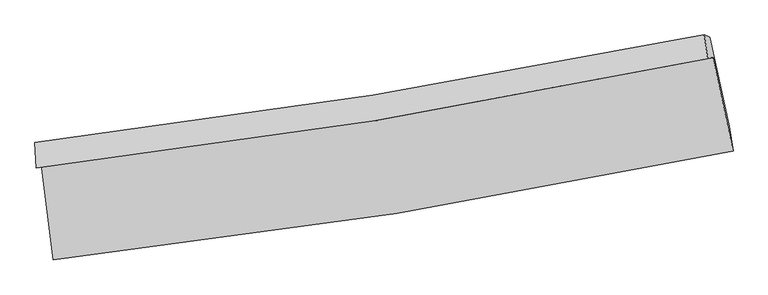
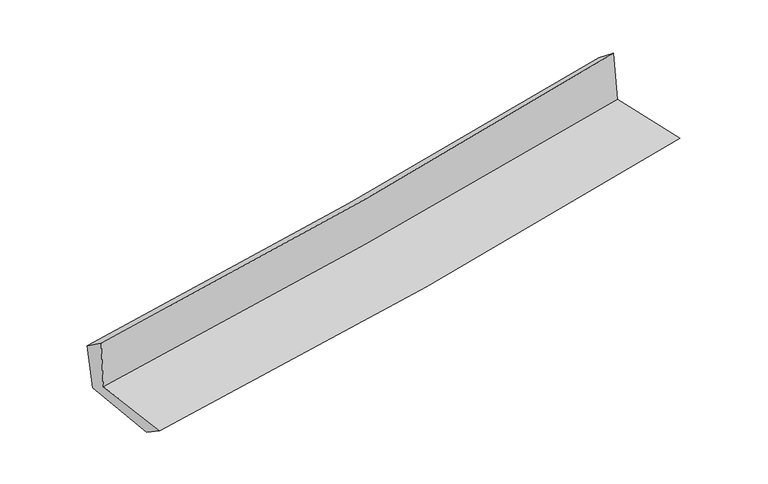
"""IFC4 building model written with IfcOpenShell, lengths in millimetres: proxy geometry."""

from ifc_helpers import new_model, si_unit, frame, origin, place, context, project, spatial, source, transform, mapped, element, save
from ifc_brep_helpers import plane_surface, spline_curve, spline_surface, advanced_brep


def generic_models_debb5fc8(model_context):
    return source(origin(), model_context, "Body", "AdvancedBrep", [
        advanced_brep(
        [(-2354.7993424, -1860.6891941, 1672.5185544), (-2272.5620097, -2522.9680442, 1665.8022189), (2429.1480725, -1769.1118587, 2095.9952796), (2290.994055, -1122.4007475, 2090.1874243), (-2387.3522219, -1886.4527784, 2075.2617014), (2253.544579, -1127.8129968, 2505.5428291), (-2398.3246166, -1710.2177994, 1954.0546945), (2230.226355, -963.6273958, 2377.6010892), (-2363.8110618, -1725.1914376, 1585.8174655), (2268.5801758, -978.5317786, 1999.3893928), (-2283.5209149, -2350.7157084, 1549.9773007), (2403.5943123, -1594.7077884, 1968.5277331)],
        [
            (0, 1),
            (1, 2, spline_curve(3, [(-2272.5620097, -2522.9680442, 1665.8022189), (-1478.121277339, -2434.379260866, 1740.65492099), (-686.389927978, -2326.695656983, 1814.170390187), (880.772550951, -2074.887217774, 1957.53144763), (1656.277895587, -1931.285426306, 2027.413665414), (2429.1480725, -1769.1118587, 2095.9952796)], [4, 2, 4], [0.0, 7.851618647954809, 15.594955108761647])),
            (2, 3),
            (3, 0, spline_curve(3, [(2290.994055, -1122.4007475, 2090.1874243), (1526.504009761, -1277.847045318, 2030.888580971), (759.813063646, -1416.782487936, 1966.709215232), (-788.722750478, -1663.343638537, 1827.623710708), (-1570.629603688, -1770.504344719, 1752.580119755), (-2354.7993424, -1860.6891941, 1672.5185544)], [4, 2, 4], [0.0, 7.743336460806838, 15.594955108761647])),
            (4, 0),
            (3, 5),
            (5, 4, spline_curve(3, [(2253.544579, -1127.8129968, 2505.5428291), (1491.023407964, -1288.706314658, 2438.754704248), (725.72613731, -1432.056652955, 2369.768220399), (-821.161278435, -1685.430649711, 2226.403091146), (-1602.829608168, -1794.960238868, 2151.962532434), (-2387.3522219, -1886.4527784, 2075.2617014)], [4, 2, 4], [0.0, 7.695152968513364, 15.497914330138192])),
            (6, 4),
            (5, 7),
            (7, 6, spline_curve(3, [(2230.226355, -963.6273958, 2377.6010892), (1469.296617474, -1119.060098724, 2310.442669189), (705.81517027, -1258.670952518, 2241.823212952), (-836.963288618, -1507.980017253, 2100.682229351), (-1616.332165509, -1617.23263139, 2028.119553794), (-2398.3246166, -1710.2177994, 1954.0546945)], [4, 2, 4], [0.0, 7.6827078666707305, 15.472850095161165])),
            (8, 6),
            (7, 9),
            (9, 8, spline_curve(3, [(2268.5801758, -978.5317786, 1999.3893928), (1506.645847595, -1133.866621268, 1937.288425695), (742.343023823, -1273.433896373, 1872.034956853), (-801.720683982, -1522.764517674, 1734.266433025), (-1581.548272614, -1632.08379522, 1661.662592541), (-2363.8110618, -1725.1914376, 1585.8174655)], [4, 2, 4], [0.0, 7.672917165207837, 15.453131779862593])),
            (10, 8),
            (9, 11),
            (11, 10, spline_curve(3, [(2403.5943123, -1594.7077884, 1968.5277331), (1633.845937005, -1761.91035949, 1905.0138397), (861.1117377, -1908.220941333, 1838.639868576), (-701.175913594, -2160.811970467, 1699.203607316), (-1490.813457082, -2266.504028642, 1626.060767525), (-2283.5209149, -2350.7157084, 1549.9773007)], [4, 2, 4], [0.0, 7.721384534361149, 15.55074428191664])),
            (1, 10),
            (11, 2),
        ],
        [
            spline_surface(3, 3, [[(-2354.7993424, -1860.6891941, 1672.5185544), (-1570.629603719, -1770.504344669, 1752.580119834), (-788.722750572, -1663.343638465, 1827.623710682), (759.813063738, -1416.782488007, 1966.709215257), (1526.504009733, -1277.847045311, 2030.888581065), (2290.994055, -1122.4007475, 2090.1874243)], [(-2327.386898175, -2081.448810819, 1670.279775904), (-1539.793494902, -1991.795983425, 1748.605053557), (-754.6118097, -1884.460977994, 1823.139270501), (800.132892782, -1636.150731249, 1963.649959378), (1569.761971706, -1495.659839001, 2029.730275844), (2337.045394175, -1337.971117883, 2092.123376066)], [(-2299.974453925, -2302.208427481, 1668.040997396), (-1508.95738606, -2213.087622122, 1744.629987269), (-720.500868799, -2105.578317509, 1818.654830348), (840.452721856, -1855.518974478, 1960.590703528), (1613.019933652, -1713.472632742, 2028.571970626), (2383.096733325, -1553.541488317, 2094.059327834)], [(-2272.5620097, -2522.9680442, 1665.8022189), (-1478.121277243, -2434.379260878, 1740.654920993), (-686.389927927, -2326.695657038, 1814.170390167), (880.7725509, -2074.887217719, 1957.53144765), (1656.277895624, -1931.285426433, 2027.413665406), (2429.1480725, -1769.1118587, 2095.9952796)]], [4, 4], [4, 2, 4], [0.0, 2.1988345189315477], [0.0, 7.851618647954809, 15.594955108761647]),
            spline_surface(3, 3, [[(-2387.3522219, -1886.4527784, 2075.2617014), (-1602.82960824, -1794.960238858, 2151.962532465), (-821.161278534, -1685.4306498, 2226.40309111), (725.726137407, -1432.056652867, 2369.768220435), (1491.023407983, -1288.706314728, 2438.754704357), (2253.544579, -1127.8129968, 2505.5428291)], [(-2376.501262058, -1877.864916973, 1941.013985737), (-1592.096273391, -1786.808274134, 2018.835061592), (-810.348435858, -1678.068312668, 2093.47663097), (737.088446207, -1426.965264559, 2235.415218711), (1502.850275229, -1285.08655828, 2302.79932992), (2266.027737662, -1126.008913724, 2367.091027493)], [(-2365.650302242, -1869.277055527, 1806.766270063), (-1581.362938569, -1778.656309393, 1885.707590707), (-799.535593248, -1670.705975598, 1960.550170822), (748.450754939, -1421.873876315, 2101.062216981), (1514.677142487, -1281.466801759, 2166.843955502), (2278.510896338, -1124.204830576, 2228.639225907)], [(-2354.7993424, -1860.6891941, 1672.5185544), (-1570.629603719, -1770.504344669, 1752.580119834), (-788.722750572, -1663.343638465, 1827.623710682), (759.813063738, -1416.782488007, 1966.709215257), (1526.504009733, -1277.847045311, 2030.888581065), (2290.994055, -1122.4007475, 2090.1874243)]], [4, 4], [4, 2, 4], [0.0, 1.321201477785165], [0.0, 7.802761361624828, 15.497914330138192]),
            spline_surface(3, 3, [[(-2398.3246166, -1710.2177994, 1954.0546945), (-1616.332165402, -1617.232631331, 2028.119553742), (-836.963288724, -1507.980017264, 2100.682229229), (705.815170375, -1258.670952508, 2241.823213072), (1469.296617522, -1119.060098758, 2310.442669156), (2230.226355, -963.6273958, 2377.6010892)], [(-2394.667151695, -1768.962792371, 1994.457030154), (-1611.831313009, -1676.475167145, 2069.40054667), (-831.695952003, -1567.130228109, 2142.589183181), (712.452159376, -1316.46618596, 2284.471548851), (1476.538881003, -1175.608837409, 2353.213347578), (2237.999096327, -1018.355929461, 2420.248335855)], [(-2391.009686805, -1827.707785429, 2034.859365746), (-1607.330460633, -1735.717703044, 2110.681539537), (-826.428615254, -1626.280438955, 2184.496137158), (719.089148406, -1374.261419415, 2327.119884656), (1483.781144502, -1232.157576077, 2395.984025935), (2245.771837673, -1073.084463139, 2462.895582445)], [(-2387.3522219, -1886.4527784, 2075.2617014), (-1602.82960824, -1794.960238858, 2151.962532465), (-821.161278534, -1685.4306498, 2226.40309111), (725.726137407, -1432.056652867, 2369.768220435), (1491.023407983, -1288.706314728, 2438.754704357), (2253.544579, -1127.8129968, 2505.5428291)]], [4, 4], [4, 2, 4], [0.0, 0.7126436724287382], [0.0, 7.790142228490435, 15.472850095161165]),
            spline_surface(3, 3, [[(-2363.8110618, -1725.1914376, 1585.8174655), (-1581.548272737, -1632.083795261, 1661.662592523), (-801.720683922, -1522.764517579, 1734.266432963), (742.343023764, -1273.433896467, 1872.034956914), (1506.645847469, -1133.866621166, 1937.28842563), (2268.5801758, -978.5317786, 1999.3893928)], [(-2375.315580092, -1720.200224874, 1708.563208472), (-1593.142903651, -1627.133407292, 1783.814912901), (-813.468218863, -1517.836350823, 1856.405031734), (730.167072627, -1268.512915163, 1995.297708982), (1494.196104142, -1128.931113687, 2061.67317347), (2255.795568855, -973.563650991, 2125.459958265)], [(-2386.820098308, -1715.209012126, 1831.308951528), (-1604.737534488, -1622.183019301, 1905.967233364), (-825.215753783, -1512.908184019, 1978.543630459), (717.991121512, -1263.591933811, 2118.560461004), (1481.74636085, -1123.995606237, 2186.057921316), (2243.010961945, -968.595523409, 2251.530523735)], [(-2398.3246166, -1710.2177994, 1954.0546945), (-1616.332165402, -1617.232631331, 2028.119553742), (-836.963288724, -1507.980017264, 2100.682229229), (705.815170375, -1258.670952508, 2241.823213072), (1469.296617522, -1119.060098758, 2310.442669156), (2230.226355, -963.6273958, 2377.6010892)]], [4, 4], [4, 2, 4], [0.0, 1.2142983012341984], [0.0, 7.780214614654756, 15.453131779862593]),
            spline_surface(3, 3, [[(-2283.5209149, -2350.7157084, 1549.9773007), (-1490.813456986, -2266.504028582, 1626.060767632), (-701.175913692, -2160.811970486, 1699.203607286), (861.111737797, -1908.220941314, 1838.639868605), (1633.845936904, -1761.910359395, 1905.013839754), (2403.5943123, -1594.7077884, 1968.5277331)], [(-2310.284297197, -2142.207618144, 1561.924022307), (-1521.058395567, -2055.030617486, 1637.928042602), (-734.690837093, -1948.129486171, 1710.891215842), (821.522166462, -1696.625259686, 1849.771564705), (1591.445907102, -1552.562446647, 1915.772035027), (2358.589600143, -1389.315785128, 1978.81495298)], [(-2337.047679503, -1933.699527856, 1573.870743893), (-1551.303334156, -1843.557206357, 1649.795317552), (-768.205760521, -1735.447001894, 1722.578824408), (781.932595099, -1485.029578095, 1860.903260814), (1549.045877271, -1343.214533914, 1926.530230358), (2313.584887957, -1183.923781872, 1989.10217292)], [(-2363.8110618, -1725.1914376, 1585.8174655), (-1581.548272737, -1632.083795261, 1661.662592523), (-801.720683922, -1522.764517579, 1734.266432963), (742.343023764, -1273.433896467, 1872.034956914), (1506.645847469, -1133.866621166, 1937.28842563), (2268.5801758, -978.5317786, 1999.3893928)]], [4, 4], [4, 2, 4], [0.0, 2.1217271276156326], [0.0, 7.829359747555491, 15.55074428191664]),
            spline_surface(3, 3, [[(-2272.5620097, -2522.9680442, 1665.8022189), (-1478.121277243, -2434.379260878, 1740.654920993), (-686.389927927, -2326.695657038, 1814.170390167), (880.7725509, -2074.887217719, 1957.53144765), (1656.277895624, -1931.285426433, 2027.413665406), (2429.1480725, -1769.1118587, 2095.9952796)], [(-2276.214978083, -2465.550598919, 1627.193912827), (-1482.352003807, -2378.420850098, 1702.456869866), (-691.318589853, -2271.401094867, 1775.848129211), (874.218946527, -2019.331792265, 1917.900921305), (1648.800576054, -1874.827070767, 1986.613723529), (2420.630152437, -1710.977168613, 2053.50609744)], [(-2279.867946517, -2408.133153681, 1588.585606773), (-1486.582730422, -2322.462439362, 1664.258818759), (-696.247251765, -2216.106532656, 1737.525868243), (867.66534217, -1963.776366769, 1878.270394949), (1641.323256474, -1818.368715061, 1945.813781631), (2412.112232363, -1652.842478487, 2011.01691526)], [(-2283.5209149, -2350.7157084, 1549.9773007), (-1490.813456986, -2266.504028582, 1626.060767632), (-701.175913692, -2160.811970486, 1699.203607286), (861.111737797, -1908.220941314, 1838.639868605), (1633.845936904, -1761.910359395, 1905.013839754), (2403.5943123, -1594.7077884, 1968.5277331)]], [4, 4], [4, 2, 4], [0.0, 0.6692211559405535], [0.0, 7.888169451288517, 15.667552640905777]),
            plane_surface(frame((2312.6812583, -1259.3654276, 2172.873958), z_axis=(0.9737535739028215, 0.2088315428679038, 0.09051720286715173), x_axis=(-0.10081345215294354, 0.03917633895195232, 0.9941337245719651))),
            plane_surface(frame((-2343.3950279, -2009.3724937, 1750.5719893), z_axis=(-0.9886625101147315, -0.12187599187554855, -0.08770794546670048), x_axis=(-0.12322064968506732, 0.9923282715315129, 0.01006344923322771))),
        ],
        [
            (0, [[1, 2, 3, 4]]),
            (1, [[5, -4, 6, 7]]),
            (2, [[8, -7, 9, 10]]),
            (3, [[11, -10, 12, 13]]),
            (4, [[14, -13, 15, 16]]),
            (5, [[17, -16, 18, -2]]),
            (6, [[-12, -9, -6, -3, -18, -15]]),
            (7, [[-1, -5, -8, -11, -14, -17]]),
        ],
    ),
    ])


if __name__ == "__main__":
    model = new_model("IFC4")
    model_context = context("Model", 3, world=origin())
    ifc_project = project(units=[si_unit("LENGTHUNIT", "METRE", prefix="MILLI")], contexts=[model_context])
    site = spatial("IfcSite", under=ifc_project)
    building = spatial("IfcBuilding", under=site)
    placement = place(None, origin())
    generic_models_shape = generic_models_debb5fc8(model_context)
    element("IfcBuildingElementProxy", 1, Name="Generic Models", at=placement, inside=building, context=model_context, shape_type="MappedRepresentation", body=[
        mapped(generic_models_shape, transform((0.0, 0.0, 0.0), x_axis=(1.0, 0.0, 0.0), y_axis=(0.0, 1.0, 0.0), z_axis=(0.0, 0.0, 1.0))),
    ])
    save(model, "model.ifc")
